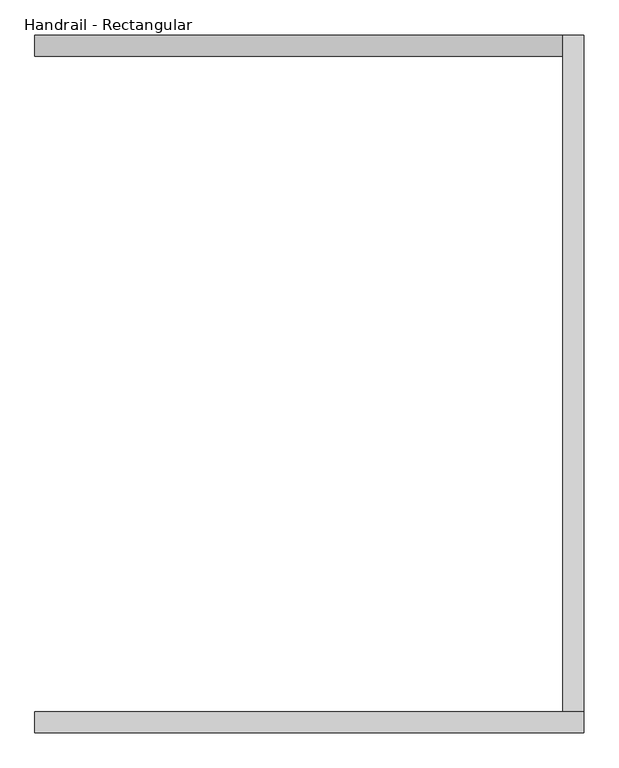
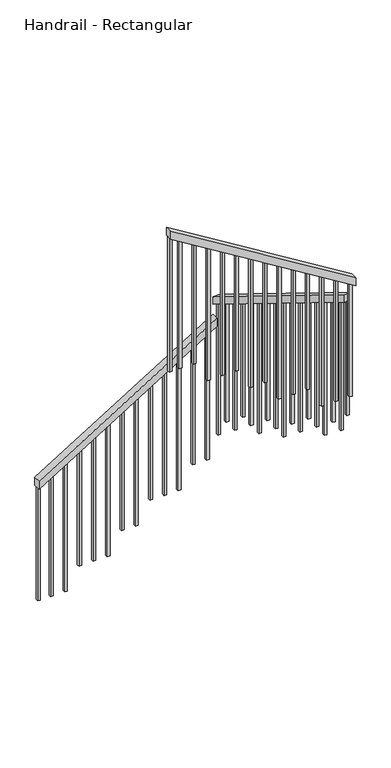
"""IFC4 building model written with IfcOpenShell, lengths in millimetres: railing geometry, Handrail - Rectangular."""

from ifc_helpers import new_model, si_unit, frame, origin, place, context, project, spatial, polyline, outline, extrude, source, transform, mapped, element, save


def handrail_rectangular_63cd6bda(model_context):
    return source(origin(), model_context, "Body", "SweptSolid", [
        extrude(outline(polyline([(1074.4, -3958.5854491), (1014.7516657, -3958.5854491), (1799.1208965, -2683.9854491), (1858.7692308, -2683.9854491), (1074.4, -3958.5854491)])), frame((0.0, -4078.2937808, 0.0), z_axis=(0.0, 1.0, 0.0), x_axis=(0.0, 0.0, 1.0)), (0.0, 0.0, 1.0), 50.8),
        extrude(outline(polyline([(3079.1208965, -2633.1854491), (3138.7692308, -2633.1854491), (3954.4, -3958.5854491), (3894.7516657, -3958.5854491), (3079.1208965, -2633.1854491)])), frame((0.0, -5710.7937808, 0.0), z_axis=(0.0, 1.0, 0.0), x_axis=(0.0, 0.0, 1.0)), (0.0, 0.0, 1.0), 50.8),
        extrude(outline(polyline([(-4027.4937808, 1994.1538462), (-4027.4937808, 1934.5055118), (-5659.9937808, 2939.1208965), (-5659.9937808, 2998.7692308), (-4027.4937808, 1994.1538462)])), frame((-2683.9854491, 0.0, 0.0), z_axis=(1.0, 0.0, 0.0), x_axis=(0.0, 1.0, 0.0)), (0.0, 0.0, 1.0), 50.8),
        extrude(outline(polyline([(3839.1670503, -3868.2604491), (3850.8901272, -3887.3104491), (2880.0, -3887.3104491), (2880.0, -3868.2604491), (3839.1670503, -3868.2604491)])), frame((0.0, -5694.9187808, 0.0), z_axis=(0.0, 1.0, 0.0), x_axis=(0.0, 0.0, 1.0)), (0.0, 0.0, 1.0), 19.05),
        extrude(outline(polyline([(3776.6439734, -3766.6604491), (3788.3670503, -3785.7104491), (2880.0, -3785.7104491), (2880.0, -3766.6604491), (3776.6439734, -3766.6604491)])), frame((0.0, -5694.9187808, 0.0), z_axis=(0.0, 1.0, 0.0), x_axis=(0.0, 0.0, 1.0)), (0.0, 0.0, 1.0), 19.05),
        extrude(outline(polyline([(3714.1208965, -3665.0604491), (3725.8439734, -3684.1104491), (2720.0, -3684.1104491), (2720.0, -3665.0604491), (3714.1208965, -3665.0604491)])), frame((0.0, -5694.9187808, 0.0), z_axis=(0.0, 1.0, 0.0), x_axis=(0.0, 0.0, 1.0)), (0.0, 0.0, 1.0), 19.05),
        extrude(outline(polyline([(3651.5978195, -3563.4604491), (3663.3208965, -3582.5104491), (2720.0, -3582.5104491), (2720.0, -3563.4604491), (3651.5978195, -3563.4604491)])), frame((0.0, -5694.9187808, 0.0), z_axis=(0.0, 1.0, 0.0), x_axis=(0.0, 0.0, 1.0)), (0.0, 0.0, 1.0), 19.05),
        extrude(outline(polyline([(3589.0747426, -3461.8604491), (3600.7978195, -3480.9104491), (2720.0, -3480.9104491), (2720.0, -3461.8604491), (3589.0747426, -3461.8604491)])), frame((0.0, -5694.9187808, 0.0), z_axis=(0.0, 1.0, 0.0), x_axis=(0.0, 0.0, 1.0)), (0.0, 0.0, 1.0), 19.05),
        extrude(outline(polyline([(3526.5516657, -3360.2604491), (3538.2747426, -3379.3104491), (2560.0, -3379.3104491), (2560.0, -3360.2604491), (3526.5516657, -3360.2604491)])), frame((0.0, -5694.9187808, 0.0), z_axis=(0.0, 1.0, 0.0), x_axis=(0.0, 0.0, 1.0)), (0.0, 0.0, 1.0), 19.05),
        extrude(outline(polyline([(3464.0285888, -3258.6604491), (3475.7516657, -3277.7104491), (2560.0, -3277.7104491), (2560.0, -3258.6604491), (3464.0285888, -3258.6604491)])), frame((0.0, -5694.9187808, 0.0), z_axis=(0.0, 1.0, 0.0), x_axis=(0.0, 0.0, 1.0)), (0.0, 0.0, 1.0), 19.05),
        extrude(outline(polyline([(3401.5055118, -3157.0604491), (3413.2285888, -3176.1104491), (2400.0, -3176.1104491), (2400.0, -3157.0604491), (3401.5055118, -3157.0604491)])), frame((0.0, -5694.9187808, 0.0), z_axis=(0.0, 1.0, 0.0), x_axis=(0.0, 0.0, 1.0)), (0.0, 0.0, 1.0), 19.05),
        extrude(outline(polyline([(3338.9824349, -3055.4604491), (3350.7055118, -3074.5104491), (2400.0, -3074.5104491), (2400.0, -3055.4604491), (3338.9824349, -3055.4604491)])), frame((0.0, -5694.9187808, 0.0), z_axis=(0.0, 1.0, 0.0), x_axis=(0.0, 0.0, 1.0)), (0.0, 0.0, 1.0), 19.05),
        extrude(outline(polyline([(3276.459358, -2953.8604491), (3288.1824349, -2972.9104491), (2400.0, -2972.9104491), (2400.0, -2953.8604491), (3276.459358, -2953.8604491)])), frame((0.0, -5694.9187808, 0.0), z_axis=(0.0, 1.0, 0.0), x_axis=(0.0, 0.0, 1.0)), (0.0, 0.0, 1.0), 19.05),
        extrude(outline(polyline([(3213.9362811, -2852.2604491), (3225.659358, -2871.3104491), (2240.0, -2871.3104491), (2240.0, -2852.2604491), (3213.9362811, -2852.2604491)])), frame((0.0, -5694.9187808, 0.0), z_axis=(0.0, 1.0, 0.0), x_axis=(0.0, 0.0, 1.0)), (0.0, 0.0, 1.0), 19.05),
        extrude(outline(polyline([(3151.4132041, -2750.6604491), (3163.1362811, -2769.7104491), (2240.0, -2769.7104491), (2240.0, -2750.6604491), (3151.4132041, -2750.6604491)])), frame((0.0, -5694.9187808, 0.0), z_axis=(0.0, 1.0, 0.0), x_axis=(0.0, 0.0, 1.0)), (0.0, 0.0, 1.0), 19.05),
        extrude(outline(polyline([(-5586.4187808, 2893.8439734), (-5567.3687808, 2882.1208965), (-5567.3687808, 1920.0), (-5586.4187808, 1920.0), (-5586.4187808, 2893.8439734)])), frame((-2668.1104491, 0.0, 0.0), z_axis=(1.0, 0.0, 0.0), x_axis=(0.0, 1.0, 0.0)), (0.0, 0.0, 1.0), 19.05),
        extrude(outline(polyline([(-5484.8187808, 2831.3208965), (-5465.7687808, 2819.5978195), (-5465.7687808, 1920.0), (-5484.8187808, 1920.0), (-5484.8187808, 2831.3208965)])), frame((-2668.1104491, 0.0, 0.0), z_axis=(1.0, 0.0, 0.0), x_axis=(0.0, 1.0, 0.0)), (0.0, 0.0, 1.0), 19.05),
        extrude(outline(polyline([(-5383.2187808, 2768.7978195), (-5364.1687808, 2757.0747426), (-5364.1687808, 1760.0), (-5383.2187808, 1760.0), (-5383.2187808, 2768.7978195)])), frame((-2668.1104491, 0.0, 0.0), z_axis=(1.0, 0.0, 0.0), x_axis=(0.0, 1.0, 0.0)), (0.0, 0.0, 1.0), 19.05),
        extrude(outline(polyline([(-5281.6187808, 2706.2747426), (-5262.5687808, 2694.5516657), (-5262.5687808, 1760.0), (-5281.6187808, 1760.0), (-5281.6187808, 2706.2747426)])), frame((-2668.1104491, 0.0, 0.0), z_axis=(1.0, 0.0, 0.0), x_axis=(0.0, 1.0, 0.0)), (0.0, 0.0, 1.0), 19.05),
        extrude(outline(polyline([(-5180.0187808, 2643.7516657), (-5160.9687808, 2632.0285888), (-5160.9687808, 1760.0), (-5180.0187808, 1760.0), (-5180.0187808, 2643.7516657)])), frame((-2668.1104491, 0.0, 0.0), z_axis=(1.0, 0.0, 0.0), x_axis=(0.0, 1.0, 0.0)), (0.0, 0.0, 1.0), 19.05),
        extrude(outline(polyline([(-5078.4187808, 2581.2285888), (-5059.3687808, 2569.5055118), (-5059.3687808, 1600.0), (-5078.4187808, 1600.0), (-5078.4187808, 2581.2285888)])), frame((-2668.1104491, 0.0, 0.0), z_axis=(1.0, 0.0, 0.0), x_axis=(0.0, 1.0, 0.0)), (0.0, 0.0, 1.0), 19.05),
        extrude(outline(polyline([(-4976.8187808, 2518.7055118), (-4957.7687808, 2506.9824349), (-4957.7687808, 1600.0), (-4976.8187808, 1600.0), (-4976.8187808, 2518.7055118)])), frame((-2668.1104491, 0.0, 0.0), z_axis=(1.0, 0.0, 0.0), x_axis=(0.0, 1.0, 0.0)), (0.0, 0.0, 1.0), 19.05),
        extrude(outline(polyline([(-4875.2187808, 2456.1824349), (-4856.1687808, 2444.459358), (-4856.1687808, 1440.0), (-4875.2187808, 1440.0), (-4875.2187808, 2456.1824349)])), frame((-2668.1104491, 0.0, 0.0), z_axis=(1.0, 0.0, 0.0), x_axis=(0.0, 1.0, 0.0)), (0.0, 0.0, 1.0), 19.05),
        extrude(outline(polyline([(-4773.6187808, 2393.659358), (-4754.5687808, 2381.9362811), (-4754.5687808, 1440.0), (-4773.6187808, 1440.0), (-4773.6187808, 2393.659358)])), frame((-2668.1104491, 0.0, 0.0), z_axis=(1.0, 0.0, 0.0), x_axis=(0.0, 1.0, 0.0)), (0.0, 0.0, 1.0), 19.05),
        extrude(outline(polyline([(-4672.0187808, 2331.1362811), (-4652.9687808, 2319.4132041), (-4652.9687808, 1440.0), (-4672.0187808, 1440.0), (-4672.0187808, 2331.1362811)])), frame((-2668.1104491, 0.0, 0.0), z_axis=(1.0, 0.0, 0.0), x_axis=(0.0, 1.0, 0.0)), (0.0, 0.0, 1.0), 19.05),
        extrude(outline(polyline([(-4570.4187808, 2268.6132041), (-4551.3687808, 2256.8901272), (-4551.3687808, 1280.0), (-4570.4187808, 1280.0), (-4570.4187808, 2268.6132041)])), frame((-2668.1104491, 0.0, 0.0), z_axis=(1.0, 0.0, 0.0), x_axis=(0.0, 1.0, 0.0)), (0.0, 0.0, 1.0), 19.05),
        extrude(outline(polyline([(-4468.8187808, 2206.0901272), (-4449.7687808, 2194.3670503), (-4449.7687808, 1280.0), (-4468.8187808, 1280.0), (-4468.8187808, 2206.0901272)])), frame((-2668.1104491, 0.0, 0.0), z_axis=(1.0, 0.0, 0.0), x_axis=(0.0, 1.0, 0.0)), (0.0, 0.0, 1.0), 19.05),
        extrude(outline(polyline([(-4367.2187808, 2143.5670503), (-4348.1687808, 2131.8439734), (-4348.1687808, 1280.0), (-4367.2187808, 1280.0), (-4367.2187808, 2143.5670503)])), frame((-2668.1104491, 0.0, 0.0), z_axis=(1.0, 0.0, 0.0), x_axis=(0.0, 1.0, 0.0)), (0.0, 0.0, 1.0), 19.05),
        extrude(outline(polyline([(-4265.6187808, 2081.0439734), (-4246.5687808, 2069.3208965), (-4246.5687808, 1120.0), (-4265.6187808, 1120.0), (-4265.6187808, 2081.0439734)])), frame((-2668.1104491, 0.0, 0.0), z_axis=(1.0, 0.0, 0.0), x_axis=(0.0, 1.0, 0.0)), (0.0, 0.0, 1.0), 19.05),
        extrude(outline(polyline([(-4164.0187808, 2018.5208965), (-4144.9687808, 2006.7978195), (-4144.9687808, 1120.0), (-4164.0187808, 1120.0), (-4164.0187808, 2018.5208965)])), frame((-2668.1104491, 0.0, 0.0), z_axis=(1.0, 0.0, 0.0), x_axis=(0.0, 1.0, 0.0)), (0.0, 0.0, 1.0), 19.05),
        extrude(outline(polyline([(1770.8901272, -2729.8604491), (1759.1670503, -2748.9104491), (800.0, -2748.9104491), (800.0, -2729.8604491), (1770.8901272, -2729.8604491)])), frame((0.0, -4062.4187808, 0.0), z_axis=(0.0, 1.0, 0.0), x_axis=(0.0, 0.0, 1.0)), (0.0, 0.0, 1.0), 19.05),
        extrude(outline(polyline([(1708.3670503, -2831.4604491), (1696.6439734, -2850.5104491), (800.0, -2850.5104491), (800.0, -2831.4604491), (1708.3670503, -2831.4604491)])), frame((0.0, -4062.4187808, 0.0), z_axis=(0.0, 1.0, 0.0), x_axis=(0.0, 0.0, 1.0)), (0.0, 0.0, 1.0), 19.05),
        extrude(outline(polyline([(1645.8439734, -2933.0604491), (1634.1208965, -2952.1104491), (640.0, -2952.1104491), (640.0, -2933.0604491), (1645.8439734, -2933.0604491)])), frame((0.0, -4062.4187808, 0.0), z_axis=(0.0, 1.0, 0.0), x_axis=(0.0, 0.0, 1.0)), (0.0, 0.0, 1.0), 19.05),
        extrude(outline(polyline([(1583.3208965, -3034.6604491), (1571.5978195, -3053.7104491), (640.0, -3053.7104491), (640.0, -3034.6604491), (1583.3208965, -3034.6604491)])), frame((0.0, -4062.4187808, 0.0), z_axis=(0.0, 1.0, 0.0), x_axis=(0.0, 0.0, 1.0)), (0.0, 0.0, 1.0), 19.05),
        extrude(outline(polyline([(1520.7978195, -3136.2604491), (1509.0747426, -3155.3104491), (640.0, -3155.3104491), (640.0, -3136.2604491), (1520.7978195, -3136.2604491)])), frame((0.0, -4062.4187808, 0.0), z_axis=(0.0, 1.0, 0.0), x_axis=(0.0, 0.0, 1.0)), (0.0, 0.0, 1.0), 19.05),
        extrude(outline(polyline([(1458.2747426, -3237.8604491), (1446.5516657, -3256.9104491), (480.0, -3256.9104491), (480.0, -3237.8604491), (1458.2747426, -3237.8604491)])), frame((0.0, -4062.4187808, 0.0), z_axis=(0.0, 1.0, 0.0), x_axis=(0.0, 0.0, 1.0)), (0.0, 0.0, 1.0), 19.05),
        extrude(outline(polyline([(1395.7516657, -3339.4604491), (1384.0285888, -3358.5104491), (480.0, -3358.5104491), (480.0, -3339.4604491), (1395.7516657, -3339.4604491)])), frame((0.0, -4062.4187808, 0.0), z_axis=(0.0, 1.0, 0.0), x_axis=(0.0, 0.0, 1.0)), (0.0, 0.0, 1.0), 19.05),
        extrude(outline(polyline([(1333.2285888, -3441.0604491), (1321.5055118, -3460.1104491), (320.0, -3460.1104491), (320.0, -3441.0604491), (1333.2285888, -3441.0604491)])), frame((0.0, -4062.4187808, 0.0), z_axis=(0.0, 1.0, 0.0), x_axis=(0.0, 0.0, 1.0)), (0.0, 0.0, 1.0), 19.05),
        extrude(outline(polyline([(1270.7055118, -3542.6604491), (1258.9824349, -3561.7104491), (320.0, -3561.7104491), (320.0, -3542.6604491), (1270.7055118, -3542.6604491)])), frame((0.0, -4062.4187808, 0.0), z_axis=(0.0, 1.0, 0.0), x_axis=(0.0, 0.0, 1.0)), (0.0, 0.0, 1.0), 19.05),
        extrude(outline(polyline([(1208.1824349, -3644.2604491), (1196.459358, -3663.3104491), (320.0, -3663.3104491), (320.0, -3644.2604491), (1208.1824349, -3644.2604491)])), frame((0.0, -4062.4187808, 0.0), z_axis=(0.0, 1.0, 0.0), x_axis=(0.0, 0.0, 1.0)), (0.0, 0.0, 1.0), 19.05),
        extrude(outline(polyline([(1145.659358, -3745.8604491), (1133.9362811, -3764.9104491), (160.0, -3764.9104491), (160.0, -3745.8604491), (1145.659358, -3745.8604491)])), frame((0.0, -4062.4187808, 0.0), z_axis=(0.0, 1.0, 0.0), x_axis=(0.0, 0.0, 1.0)), (0.0, 0.0, 1.0), 19.05),
        extrude(outline(polyline([(1083.1362811, -3847.4604491), (1071.4132041, -3866.5104491), (160.0, -3866.5104491), (160.0, -3847.4604491), (1083.1362811, -3847.4604491)])), frame((0.0, -4062.4187808, 0.0), z_axis=(0.0, 1.0, 0.0), x_axis=(0.0, 0.0, 1.0)), (0.0, 0.0, 1.0), 19.05),
        extrude(outline(polyline([(3088.8901272, -2649.0604491), (3100.6132041, -2668.1104491), (2240.0, -2668.1104491), (2240.0, -2649.0604491), (3088.8901272, -2649.0604491)])), frame((0.0, -5694.9187808, 0.0), z_axis=(0.0, 1.0, 0.0), x_axis=(0.0, 0.0, 1.0)), (0.0, 0.0, 1.0), 19.05),
        extrude(outline(polyline([(-2668.1104491, -5643.3687808), (-2649.0604491, -5643.3687808), (-2649.0604491, -5662.4187808), (-2668.1104491, -5662.4187808), (-2668.1104491, -5643.3687808)])), frame((0.0, 0.0, 2080.0), z_axis=(0.0, 0.0, 1.0), x_axis=(1.0, 0.0, 0.0)), (0.0, 0.0, 1.0), 863.6),
        extrude(outline(polyline([(-4062.4187808, 1955.9978195), (-4043.3687808, 1944.2747426), (-4043.3687808, 960.0), (-4062.4187808, 960.0), (-4062.4187808, 1955.9978195)])), frame((-2668.1104491, 0.0, 0.0), z_axis=(1.0, 0.0, 0.0), x_axis=(0.0, 1.0, 0.0)), (0.0, 0.0, 1.0), 19.05),
        extrude(outline(polyline([(3883.0285888, -3939.5354491), (3894.7516657, -3958.5854491), (2880.0, -3958.5854491), (2880.0, -3939.5354491), (3883.0285888, -3939.5354491)])), frame((0.0, -5694.9187808, 0.0), z_axis=(0.0, 1.0, 0.0), x_axis=(0.0, 0.0, 1.0)), (0.0, 0.0, 1.0), 19.05),
        extrude(outline(polyline([(1026.4747426, -3939.5354491), (1014.7516657, -3958.5854491), (160.0, -3958.5854491), (160.0, -3939.5354491), (1026.4747426, -3939.5354491)])), frame((0.0, -4062.4187808, 0.0), z_axis=(0.0, 1.0, 0.0), x_axis=(0.0, 0.0, 1.0)), (0.0, 0.0, 1.0), 19.05),
    ])


if __name__ == "__main__":
    model = new_model("IFC4")
    model_context = context("Model", 3, world=origin())
    ifc_project = project(units=[si_unit("LENGTHUNIT", "METRE", prefix="MILLI")], contexts=[model_context])
    site = spatial("IfcSite", under=ifc_project)
    building = spatial("IfcBuilding", under=site)
    placement = place(None, origin())
    handrail_rectangular_shape = handrail_rectangular_63cd6bda(model_context)
    element("IfcRailing", 1, ObjectType="Handrail - Rectangular", at=placement, inside=building, context=model_context, shape_type="MappedRepresentation", body=[
        mapped(handrail_rectangular_shape, transform((0.0, 0.0, 0.0), x_axis=(1.0, 0.0, 0.0), y_axis=(0.0, 1.0, 0.0), z_axis=(0.0, 0.0, 1.0))),
    ])
    save(model, "model.ifc")
